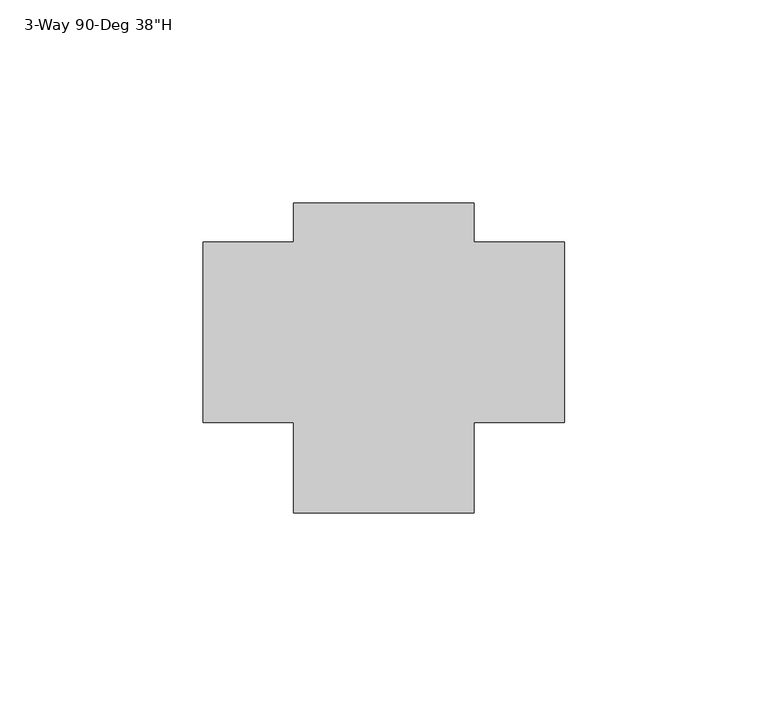
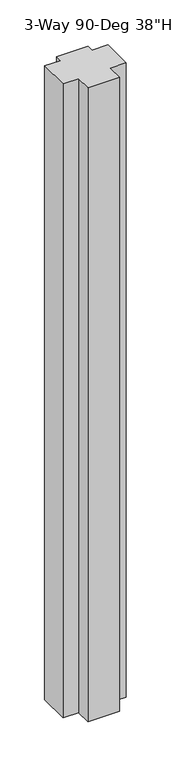
"""IFC4 building model written with IfcOpenShell, lengths in millimetres: furniture geometry."""

from ifc_helpers import new_model, si_unit, frame, origin, place, context, project, spatial, polyline, outline, extrude, source, transform, mapped, element, save


def furniture_7e4dcba4(model_context):
    return source(origin(), model_context, "Body", "SweptSolid", [
        extrude(outline(polyline([(-31.75, -44.45), (-31.75, -22.225), (-53.975, -22.225), (-53.975, 22.225), (-31.75, 22.225), (-31.75, 31.75), (12.7, 31.75), (12.7, 22.225), (34.925, 22.225), (34.925, -22.225), (12.7, -22.225), (12.7, -44.45), (-31.75, -44.45)])), frame((0.0, 0.0, 14.732), z_axis=(0.0, 0.0, 1.0), x_axis=(1.0, 0.0, 0.0)), (0.0, 0.0, 1.0), 944.118),
    ])


if __name__ == "__main__":
    model = new_model("IFC4")
    model_context = context("Model", 3, world=origin())
    ifc_project = project(units=[si_unit("LENGTHUNIT", "METRE", prefix="MILLI")], contexts=[model_context])
    site = spatial("IfcSite", under=ifc_project)
    building = spatial("IfcBuilding", under=site)
    placement = place(None, origin())
    furniture_shape = furniture_7e4dcba4(model_context)
    element("IfcFurniture", 1, ObjectType="3-Way 90-Deg 38\"H", at=placement, inside=building, context=model_context, shape_type="MappedRepresentation", body=[
        mapped(furniture_shape, transform((0.0, 0.0, 0.0), x_axis=(1.0, 0.0, 0.0), y_axis=(0.0, 1.0, 0.0), z_axis=(0.0, 0.0, 1.0))),
    ])
    save(model, "model.ifc")
